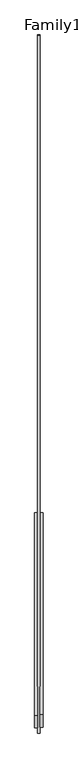
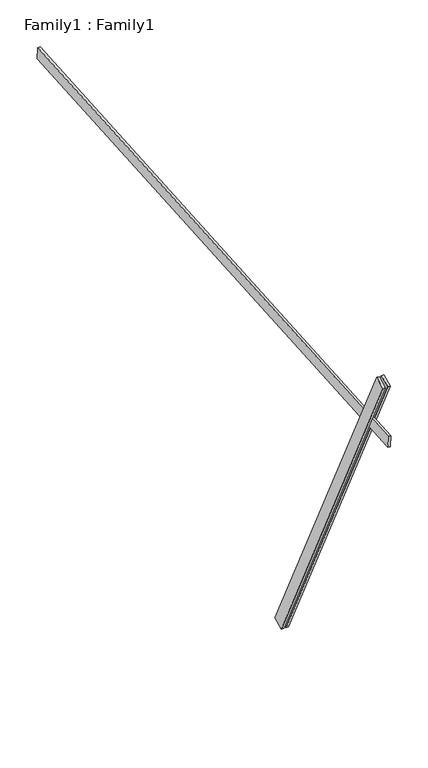
"""IFC4 building model written with IfcOpenShell, lengths in millimetres: proxy geometry, Family1 : Family1."""

from ifc_helpers import new_model, si_unit, frame, origin, place, context, project, spatial, polyline, outline, extrude, source, transform, mapped, element, save


def family1_family1_8b2dd37b(model_context):
    return source(origin(), model_context, "Body", "SweptSolid", [
        extrude(outline(polyline([(0.0, 0.0), (-100.0000001, 0.0), (-100.0000001, 20.0), (0.0, 20.0), (0.0, 0.0)])), frame((-30.0, -46.3241747, -22.5938096), z_axis=(0.0, -0.4383711467890692, 0.8987940462991711), x_axis=(0.0, -0.8987940462991711, -0.4383711467890692)), (0.0, 0.0, 1.0), 3300.0),
        extrude(outline(polyline([(0.0, 0.0), (-99.9999999, 0.0), (-99.9999999, 20.0), (0.0, 20.0), (0.0, 0.0)])), frame((10.0, -45.270232, -22.0797674), z_axis=(0.0, -0.4383711467890692, 0.8987940462991711), x_axis=(0.0, -0.8987940462991711, -0.4383711467890692)), (0.0, 0.0, 1.0), 3300.0),
        extrude(outline(polyline([(0.0, 20.0), (5000.0, 20.0), (5000.0, 0.0), (0.0, 0.0), (0.0, 20.0)])), frame((-10.0, 3462.8663358, 2794.4793487), z_axis=(0.0, -0.06975647374412763, 0.9975640502598241), x_axis=(0.0, -0.9975640502598241, -0.06975647374412763)), (0.0, 0.0, 1.0), 100.0),
    ])


if __name__ == "__main__":
    model = new_model("IFC4")
    model_context = context("Model", 3, world=origin())
    ifc_project = project(units=[si_unit("LENGTHUNIT", "METRE", prefix="MILLI")], contexts=[model_context])
    site = spatial("IfcSite", under=ifc_project)
    building = spatial("IfcBuilding", under=site)
    placement = place(None, origin())
    family1_family1_shape = family1_family1_8b2dd37b(model_context)
    element("IfcBuildingElementProxy", 1, Name="Family1 : Family1", ObjectType="Family1 : Family1", at=placement, inside=building, context=model_context, shape_type="MappedRepresentation", body=[
        mapped(family1_family1_shape, transform((0.0, 0.0, 0.0), x_axis=(1.0, 0.0, 0.0), y_axis=(0.0, 1.0, 0.0), z_axis=(0.0, 0.0, 1.0))),
    ])
    save(model, "model.ifc")
